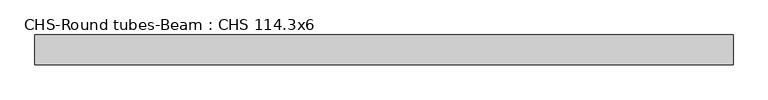
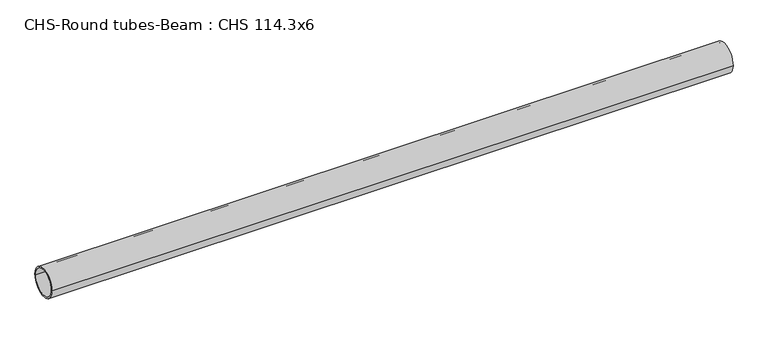
"""IFC4 building model written with IfcOpenShell, lengths in millimetres: beam geometry, CHS-Round tubes-Beam : CHS 114.3x6."""

from ifc_helpers import new_model, si_unit, point, frame, origin, origin_2d, place, context, project, spatial, circle_curve, trimmed, segment, composite_curve, outline, extrude, source, transform, mapped, element, save


def chs_round_tubes_beam_chs_114_3x6_4d609f70(model_context):
    return source(origin(), model_context, "Body", "SweptSolid", [
        extrude(outline(composite_curve([segment(trimmed(circle_curve(origin_2d(), 57.15), [point((57.15, 0.0))], [point((-57.15, 0.0))], False, "CARTESIAN"), True, "CONTINUOUS"), segment(trimmed(circle_curve(origin_2d(), 57.15), [point((-57.15, 0.0))], [point((57.15, 0.0))], False, "CARTESIAN"), True, "CONTINUOUS")], self_intersect=False), holes=[composite_curve([segment(trimmed(circle_curve(origin_2d(), 51.15), [point((51.15, 0.0))], [point((-51.15, 0.0))], True, "CARTESIAN"), True, "CONTINUOUS"), segment(trimmed(circle_curve(origin_2d(), 51.15), [point((-51.15, 0.0))], [point((51.15, 0.0))], True, "CARTESIAN"), True, "CONTINUOUS")], self_intersect=False)]), frame((-1287.9604529, 0.0, 0.0), z_axis=(1.0, 0.0, 0.0), x_axis=(0.0, 1.0, 0.0)), (0.0, 0.0, 1.0), 2653.0515757),
    ])


if __name__ == "__main__":
    model = new_model("IFC4")
    model_context = context("Model", 3, world=origin())
    ifc_project = project(units=[si_unit("LENGTHUNIT", "METRE", prefix="MILLI")], contexts=[model_context])
    site = spatial("IfcSite", under=ifc_project)
    building = spatial("IfcBuilding", under=site)
    placement = place(None, origin())
    chs_round_tubes_beam_chs_114_3x6_shape = chs_round_tubes_beam_chs_114_3x6_4d609f70(model_context)
    element("IfcBeam", 1, ObjectType="CHS-Round tubes-Beam : CHS 114.3x6", at=placement, inside=building, context=model_context, shape_type="MappedRepresentation", body=[
        mapped(chs_round_tubes_beam_chs_114_3x6_shape, transform((0.0, 0.0, 0.0), x_axis=(1.0, 0.0, 0.0), y_axis=(0.0, 1.0, 0.0), z_axis=(0.0, 0.0, 1.0))),
    ])
    save(model, "model.ifc")
